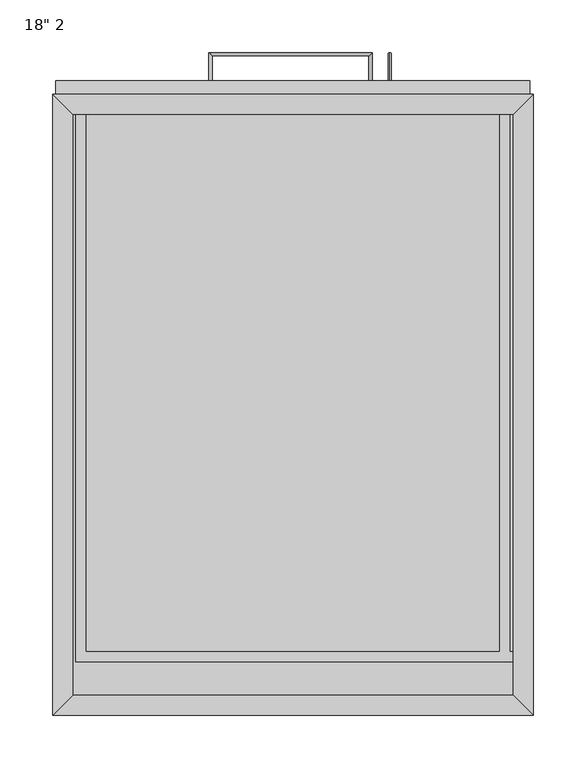
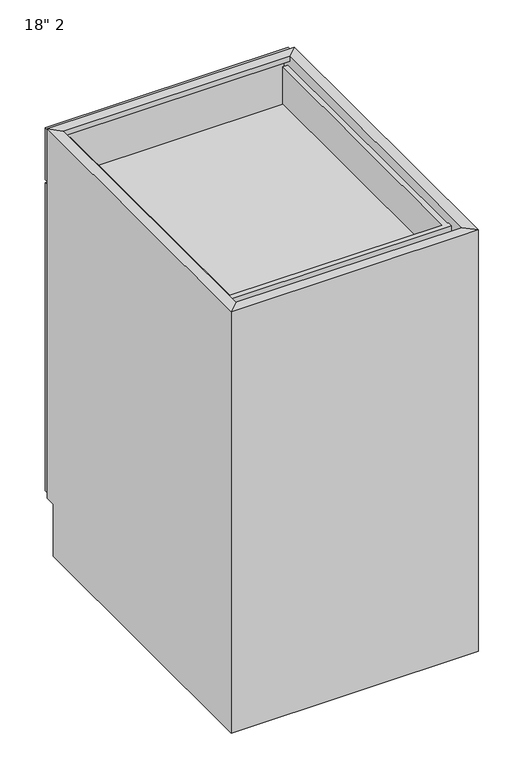
"""IFC4 building model written with IfcOpenShell, lengths in millimetres: furniture geometry."""

from ifc_helpers import new_model, si_unit, frame, origin, place, context, project, spatial, polyline, circle_curve, ellipse_curve, outline, extrude, faceted_brep, source, transform, mapped, element, save
from ifc_brep_helpers import plane_surface, cylinder_surface, advanced_brep


def furniture_433e75ae(model_context):
    return source(origin(), model_context, "Body", "SolidModel", [
        advanced_brep(
        [(110.8127049, 603.25, 611.1875), (110.8127049, 603.25, 608.0125), (110.8127049, 627.0625, 608.0125), (110.8127049, 630.2375, 611.1875), (110.8127049, 627.0625, 458.7875), (110.8127049, 630.2375, 455.6125), (110.8127049, 603.25, 455.6125), (110.8127049, 603.25, 458.7875)],
        [
            (0, 1, circle_curve(frame((110.8127049, 603.25, 609.6), z_axis=(0.0, -1.0, 0.0), x_axis=(0.0, 0.0, -1.0)), 1.5875)),
            (1, 0, circle_curve(frame((110.8127049, 603.25, 609.6), z_axis=(0.0, -1.0, 0.0), x_axis=(0.0, 0.0, -1.0)), 1.5875)),
            (1, 2),
            (2, 3, ellipse_curve(frame((110.8127049, 628.65, 609.6), z_axis=(0.0, -0.7071067811865475, 0.7071067811865475), x_axis=(0.0, -0.7071067811865476, -0.7071067811865474)), 2.245064, 1.5875)),
            (3, 0),
            (3, 2, ellipse_curve(frame((110.8127049, 628.65, 609.6), z_axis=(0.0, -0.7071067811865475, 0.7071067811865475), x_axis=(0.0, -0.7071067811865476, -0.7071067811865474)), 2.245064, 1.5875)),
            (2, 4),
            (4, 5, ellipse_curve(frame((110.8127049, 628.65, 457.2), z_axis=(0.0, 0.7071067811865475, 0.7071067811865475), x_axis=(0.0, -0.7071067811865474, 0.7071067811865476)), 2.245064, 1.5875)),
            (5, 3),
            (5, 4, ellipse_curve(frame((110.8127049, 628.65, 457.2), z_axis=(0.0, 0.7071067811865475, 0.7071067811865475), x_axis=(0.0, -0.7071067811865474, 0.7071067811865476)), 2.245064, 1.5875)),
            (6, 7, circle_curve(frame((110.8127049, 603.25, 457.2), z_axis=(0.0, -1.0, 0.0), x_axis=(0.0, 0.0, 1.0)), 1.5875)),
            (7, 6, circle_curve(frame((110.8127049, 603.25, 457.2), z_axis=(0.0, -1.0, 0.0), x_axis=(0.0, 0.0, 1.0)), 1.5875)),
            (4, 7),
            (6, 5),
        ],
        [
            plane_surface(frame((110.8127049, 603.25, 609.6), z_axis=(0.0, -1.0, 0.0), x_axis=(1.0, 0.0, 0.0))),
            cylinder_surface(frame((110.8127049, 603.25, 609.6), z_axis=(0.0, -1.0, 0.0), x_axis=(0.0, 0.0, -1.0)), 1.5875),
            cylinder_surface(frame((110.8127049, 628.65, 609.6), z_axis=(0.0, 0.0, 1.0), x_axis=(0.0, -1.0, 0.0)), 1.5875),
            plane_surface(frame((110.8127049, 603.25, 457.2), z_axis=(0.0, -1.0, 0.0), x_axis=(1.0, 0.0, 0.0))),
            cylinder_surface(frame((110.8127049, 628.65, 457.2), z_axis=(0.0, 1.0, 0.0), x_axis=(0.0, 0.0, 1.0)), 1.5875),
        ],
        [
            (0, [[1, 2]]),
            (1, [[3, 4, 5, -2]]),
            (1, [[-5, 6, -3, -1]]),
            (2, [[7, 8, 9, -4]]),
            (2, [[-9, 10, -7, -6]]),
            (3, [[11, 12]]),
            (4, [[13, -11, 14, -8]]),
            (4, [[-14, -12, -13, -10]]),
        ],
    ),
        extrude(outline(polyline([(244.1627049, 603.25), (244.1627049, 590.55), (-206.6872951, 590.55), (-206.6872951, 603.25), (244.1627049, 603.25)])), frame((0.0, 0.0, 107.95), z_axis=(0.0, 0.0, 1.0), x_axis=(1.0, 0.0, 0.0)), (0.0, 0.0, 1.0), 603.25),
        extrude(outline(polyline([(244.1627049, 603.25), (244.1627049, 590.55), (-206.6872951, 590.55), (-206.6872951, 603.25), (244.1627049, 603.25)])), frame((0.0, 0.0, 717.55), z_axis=(0.0, 0.0, 1.0), x_axis=(1.0, 0.0, 0.0)), (0.0, 0.0, 1.0), 101.6),
        advanced_brep(
        [(-61.4022887, 603.25, 768.5912891), (-58.2272887, 603.25, 768.5912891), (-58.2272887, 627.0625, 768.5912891), (-61.4022887, 630.2375, 768.5912891), (90.9977113, 627.0625, 768.5912891), (94.1727113, 630.2375, 768.5912891), (94.1727113, 603.25, 768.5912891), (90.9977113, 603.25, 768.5912891)],
        [
            (0, 1, circle_curve(frame((-59.8147887, 603.25, 768.5912891), z_axis=(0.0, -1.0, 0.0), x_axis=(1.0, 0.0, 0.0)), 1.5875)),
            (1, 0, circle_curve(frame((-59.8147887, 603.25, 768.5912891), z_axis=(0.0, -1.0, 0.0), x_axis=(1.0, 0.0, 0.0)), 1.5875)),
            (1, 2),
            (2, 3, ellipse_curve(frame((-59.8147887, 628.65, 768.5912891), z_axis=(-0.7071067811865475, -0.7071067811865475, 0.0), x_axis=(0.7071067811865474, -0.7071067811865476, 0.0)), 2.245064, 1.5875)),
            (3, 0),
            (3, 2, ellipse_curve(frame((-59.8147887, 628.65, 768.5912891), z_axis=(-0.7071067811865475, -0.7071067811865475, 0.0), x_axis=(0.7071067811865474, -0.7071067811865476, 0.0)), 2.245064, 1.5875)),
            (2, 4),
            (4, 5, ellipse_curve(frame((92.5852113, 628.65, 768.5912891), z_axis=(-0.7071067811865475, 0.7071067811865475, 0.0), x_axis=(-0.7071067811865476, -0.7071067811865474, 0.0)), 2.245064, 1.5875)),
            (5, 3),
            (5, 4, ellipse_curve(frame((92.5852113, 628.65, 768.5912891), z_axis=(-0.7071067811865475, 0.7071067811865475, 0.0), x_axis=(-0.7071067811865476, -0.7071067811865474, 0.0)), 2.245064, 1.5875)),
            (6, 7, circle_curve(frame((92.5852113, 603.25, 768.5912891), z_axis=(0.0, -1.0, 0.0), x_axis=(-1.0, 0.0, 0.0)), 1.5875)),
            (7, 6, circle_curve(frame((92.5852113, 603.25, 768.5912891), z_axis=(0.0, -1.0, 0.0), x_axis=(-1.0, 0.0, 0.0)), 1.5875)),
            (4, 7),
            (6, 5),
        ],
        [
            plane_surface(frame((-59.8147887, 603.25, 768.5912891), z_axis=(0.0, -1.0, 0.0), x_axis=(0.0, 0.0, 1.0))),
            cylinder_surface(frame((-59.8147887, 603.25, 768.5912891), z_axis=(0.0, -1.0, 0.0), x_axis=(1.0, 0.0, 0.0)), 1.5875),
            cylinder_surface(frame((-59.8147887, 628.65, 768.5912891), z_axis=(-1.0, 0.0, 0.0), x_axis=(0.0, -1.0, 0.0)), 1.5875),
            plane_surface(frame((92.5852113, 603.25, 768.5912891), z_axis=(0.0, -1.0, 0.0), x_axis=(0.0, 0.0, 1.0))),
            cylinder_surface(frame((92.5852113, 628.65, 768.5912891), z_axis=(0.0, 1.0, 0.0), x_axis=(-1.0, 0.0, 0.0)), 1.5875),
        ],
        [
            (0, [[1, 2]]),
            (1, [[3, 4, 5, -2]]),
            (1, [[-5, 6, -3, -1]]),
            (2, [[7, 8, 9, -4]]),
            (2, [[-9, 10, -7, -6]]),
            (3, [[11, 12]]),
            (4, [[13, -11, 14, -8]]),
            (4, [[-14, -12, -13, -10]]),
        ],
    ),
        faceted_brep([(228.2877049, 571.5, 101.6), (228.2877049, 571.5, 107.95), (-190.8122951, 571.5, 107.95), (-190.8122951, 571.5, 101.6), (-190.8122951, 571.5, 825.5), (-190.8122951, 571.5, 815.975), (228.2877049, 571.5, 815.975), (228.2877049, 571.5, 825.5), (-190.8122951, 571.5, 650.875), (228.2877049, 571.5, 650.875), (228.2877049, 571.5, 676.275), (-190.8122951, 571.5, 676.275), (247.3377049, 590.55, 825.5), (-209.8622951, 590.55, 825.5), (247.3377049, 590.55, 101.6), (-209.8622951, 590.55, 101.6), (-190.8122951, 590.55, 676.275), (228.2877049, 590.55, 676.275), (228.2877049, 590.55, 815.975), (-190.8122951, 590.55, 815.975), (-190.8122951, 590.55, 107.95), (228.2877049, 590.55, 107.95), (228.2877049, 590.55, 650.875), (-190.8122951, 590.55, 650.875), (-190.8122951, 19.05, 101.6), (-190.8122951, 19.05, 825.5), (-209.8622951, 0.0, 825.5), (-209.8622951, 571.5, 101.6), (-209.8622951, 571.5, 0.0), (-209.8622951, 0.0, 0.0), (228.2877049, 19.05, 825.5), (228.2877049, 19.05, 101.6), (247.3377049, 0.0, 825.5), (247.3377049, 0.0, 0.0), (247.3377049, 571.5, 0.0), (247.3377049, 571.5, 101.6)], [[[0, 1, 2, 3]], [[4, 5, 6, 7]], [[8, 9, 10, 11]], [[7, 12, 13, 4]], [[12, 14, 15, 13], [16, 17, 18, 19], [20, 21, 22, 23]], [[3, 15, 14, 0]], [[24, 3, 2, 20, 23, 8, 11, 16, 19, 5, 4, 25]], [[13, 26, 25, 4]], [[15, 27, 28, 29, 26, 13]], [[3, 27, 15]], [[25, 30, 31, 24]], [[26, 32, 30, 25]], [[26, 29, 33, 32]], [[30, 7, 6, 18, 17, 10, 9, 22, 21, 1, 0, 31]], [[7, 30, 32, 12]], [[12, 32, 33, 34, 35, 14]], [[14, 35, 0]], [[3, 24, 31, 0]], [[33, 29, 28, 34]], [[28, 27, 3, 0, 35, 34]], [[11, 10, 17, 16]], [[19, 18, 6, 5]], [[2, 1, 21, 20]], [[23, 22, 9, 8]]]),
        faceted_brep([(-187.6372951, 50.9683358, 727.075), (225.1127049, 50.9683358, 727.075), (225.1127049, 50.9683358, 736.6), (228.2877049, 50.9683358, 736.6), (228.2877049, 50.9683358, 809.625), (-187.6372951, 50.9683358, 809.625), (-187.6372951, 571.5, 809.625), (-187.6372951, 571.5, 727.075), (228.2877049, 60.4933358, 809.625), (225.1127049, 60.4933358, 809.625), (225.1127049, 571.5, 809.625), (215.5877049, 571.5, 809.625), (215.5877049, 60.4933358, 809.625), (-178.1122951, 60.4933358, 809.625), (-178.1122951, 571.5, 809.625), (-178.1122951, 60.4933358, 736.6), (-178.1122951, 571.5, 736.6), (215.5877049, 60.4933358, 736.6), (215.5877049, 571.5, 736.6), (225.1127049, 571.5, 727.075), (225.1127049, 60.4933358, 736.6), (228.2877049, 60.4933358, 736.6)], [[[0, 1, 2, 3, 4, 5]], [[5, 6, 7, 0]], [[8, 9, 10, 11, 12, 13, 14, 6, 5, 4]], [[15, 16, 14, 13]], [[17, 18, 16, 15]], [[12, 11, 18, 17]], [[1, 19, 10, 9, 20, 2]], [[0, 7, 19, 1]], [[3, 2, 20, 21]], [[21, 20, 9, 8]], [[12, 17, 15, 13]], [[4, 3, 21, 8]], [[6, 14, 16, 18, 11, 10, 19, 7]]]),
        extrude(outline(polyline([(228.2877049, 19.05), (-190.8122951, 19.05), (-190.8122951, 571.5), (228.2877049, 571.5), (228.2877049, 19.05)])), frame((0.0, 0.0, 101.6), z_axis=(0.0, 0.0, 1.0), x_axis=(1.0, 0.0, 0.0)), (0.0, 0.0, 1.0), 6.35),
    ])


if __name__ == "__main__":
    model = new_model("IFC4")
    model_context = context("Model", 3, world=origin())
    ifc_project = project(units=[si_unit("LENGTHUNIT", "METRE", prefix="MILLI")], contexts=[model_context])
    site = spatial("IfcSite", under=ifc_project)
    building = spatial("IfcBuilding", under=site)
    placement = place(None, origin())
    furniture_shape = furniture_433e75ae(model_context)
    element("IfcFurniture", 1, ObjectType="18\" 2", at=placement, inside=building, context=model_context, shape_type="MappedRepresentation", body=[
        mapped(furniture_shape, transform((0.0, 0.0, 0.0), x_axis=(1.0, 0.0, 0.0), y_axis=(0.0, 1.0, 0.0), z_axis=(0.0, 0.0, 1.0))),
    ])
    save(model, "model.ifc")
